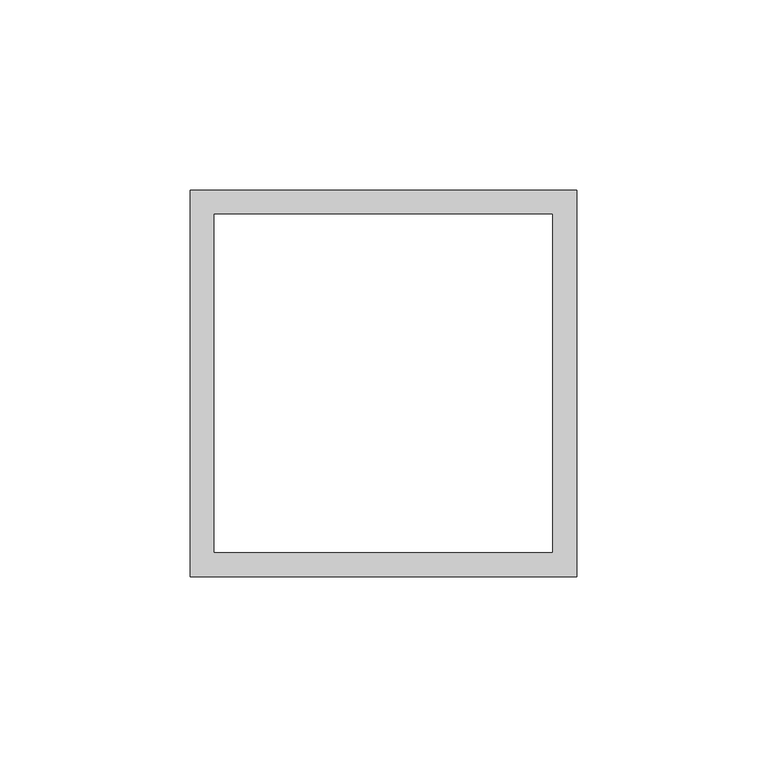
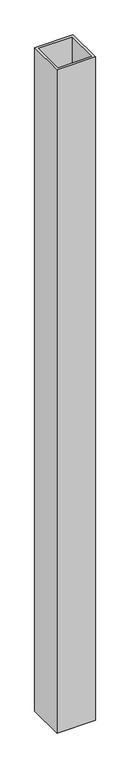
"""IFC4 building model written with IfcOpenShell, lengths in millimetres: proxy geometry."""

from ifc_helpers import new_model, si_unit, origin, origin_with_axes, place, context, project, spatial, polyline, outline, extrude, source, transform, mapped, element, save


def specialty_equipment_d32a9a12(model_context):
    return source(origin(), model_context, "Body", "SweptSolid", [
        extrude(outline(polyline([(50.8, 50.8), (50.8, -50.8), (-50.8, -50.8), (-50.8, 50.8), (50.8, 50.8)]), holes=[polyline([(-44.45, -44.45), (44.45, -44.45), (44.45, 44.45), (-44.45, 44.45), (-44.45, -44.45)])]), origin_with_axes(), (0.0, 0.0, 1.0), 1854.2),
    ])


if __name__ == "__main__":
    model = new_model("IFC4")
    model_context = context("Model", 3, world=origin())
    ifc_project = project(units=[si_unit("LENGTHUNIT", "METRE", prefix="MILLI")], contexts=[model_context])
    site = spatial("IfcSite", under=ifc_project)
    building = spatial("IfcBuilding", under=site)
    placement = place(None, origin())
    specialty_equipment_shape = specialty_equipment_d32a9a12(model_context)
    element("IfcBuildingElementProxy", 1, Name="Specialty Equipment", at=placement, inside=building, context=model_context, shape_type="MappedRepresentation", body=[
        mapped(specialty_equipment_shape, transform((0.0, 0.0, 0.0), x_axis=(1.0, 0.0, 0.0), y_axis=(0.0, 1.0, 0.0), z_axis=(0.0, 0.0, 1.0))),
    ])
    save(model, "model.ifc")
